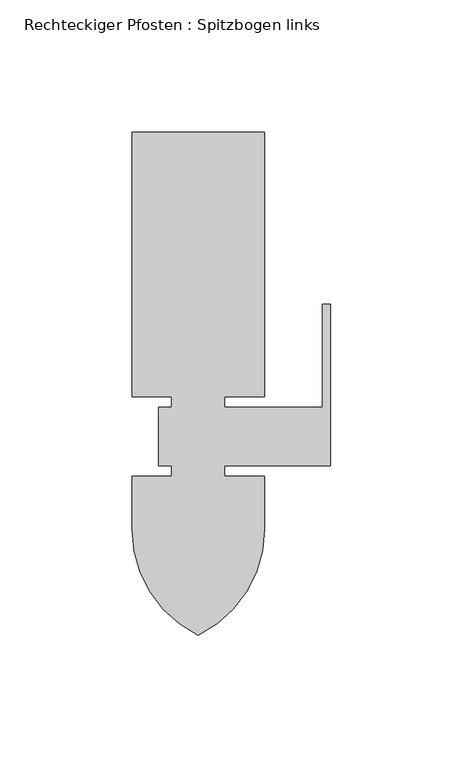
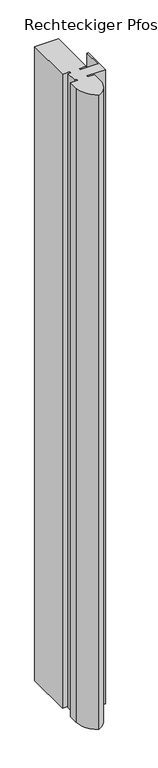
"""IFC4 building model written with IfcOpenShell, lengths in millimetres: member geometry, Rechteckiger Pfosten : Spitzbogen links."""

from ifc_helpers import new_model, si_unit, point, frame, frame_2d, origin, place, context, project, spatial, polyline, circle_curve, trimmed, segment, composite_curve, outline, extrude, source, transform, mapped, element, save


def rechteckiger_pfosten_spitzbogen_links_3e42c615(model_context):
    return source(origin(), model_context, "Body", "SweptSolid", [
        extrude(outline(composite_curve([segment(polyline([(-75.0, 115.0), (-25.0, 115.0), (-25.0, 15.0), (-40.0, 15.0), (-40.0, 11.0), (-2.9610176, 11.0), (-2.9610176, 50.0), (0.0, 50.0), (0.0, -11.0), (-40.0, -11.0), (-40.0, -15.0), (-25.0, -15.0), (-25.0, -35.0)]), True, "CONTINUOUS"), segment(trimmed(circle_curve(frame_2d((-69.5, -35.0)), 44.5), [point((-25.0, -35.0))], [point((-50.0, -75.0))], False, "CARTESIAN"), True, "CONTINUOUS"), segment(trimmed(circle_curve(frame_2d((-30.5, -35.0)), 44.5), [point((-50.0, -75.0))], [point((-75.0, -35.0))], False, "CARTESIAN"), True, "CONTINUOUS"), segment(polyline([(-75.0, -35.0), (-75.0, -15.0), (-60.0, -15.0), (-60.0, -11.0), (-65.0, -11.0), (-65.0, 11.0), (-60.0, 11.0), (-60.0, 15.0), (-75.0, 15.0), (-75.0, 115.0)]), True, "CONTINUOUS")], self_intersect=False)), frame((0.0, 0.0, -1400.0), z_axis=(0.0, 0.0, 1.0), x_axis=(1.0, 0.0, 0.0)), (0.0, 0.0, 1.0), 1400.0),
    ])


if __name__ == "__main__":
    model = new_model("IFC4")
    model_context = context("Model", 3, world=origin())
    ifc_project = project(units=[si_unit("LENGTHUNIT", "METRE", prefix="MILLI")], contexts=[model_context])
    site = spatial("IfcSite", under=ifc_project)
    building = spatial("IfcBuilding", under=site)
    placement = place(None, origin())
    rechteckiger_pfosten_spitzbogen_links_shape = rechteckiger_pfosten_spitzbogen_links_3e42c615(model_context)
    element("IfcMember", 1, ObjectType="Rechteckiger Pfosten : Spitzbogen links", at=placement, inside=building, context=model_context, shape_type="MappedRepresentation", body=[
        mapped(rechteckiger_pfosten_spitzbogen_links_shape, transform((0.0, 0.0, 0.0), x_axis=(1.0, 0.0, 0.0), y_axis=(0.0, 1.0, 0.0), z_axis=(0.0, 0.0, 1.0))),
    ])
    save(model, "model.ifc")
